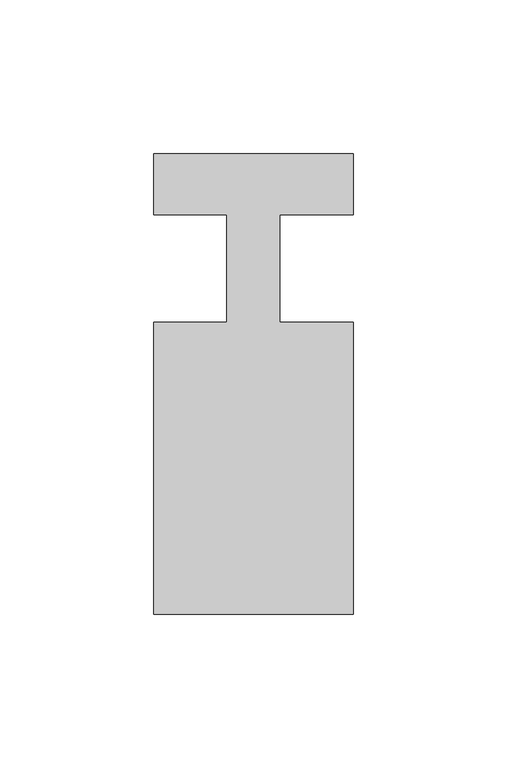
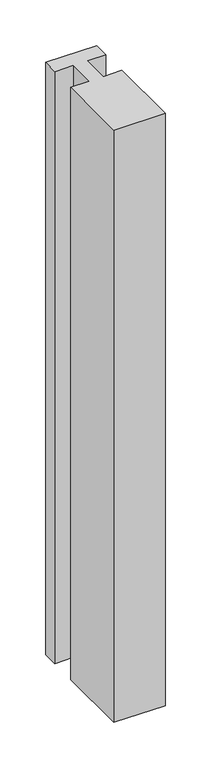
"""IFC4 building model written with IfcOpenShell, lengths in millimetres: member geometry."""

from ifc_helpers import new_model, si_unit, frame, origin, place, context, project, spatial, polyline, outline, extrude, source, transform, mapped, element, save


def member_8c662658(model_context):
    return source(origin(), model_context, "Body", "SweptSolid", [
        extrude(outline(polyline([(0.0, 37.0), (0.0, 17.0), (-23.8125, 17.0), (-23.8125, -18.0), (0.0, -18.0), (0.0, -113.0), (-65.0, -113.0), (-65.0, -18.0), (-41.1875, -18.0), (-41.1875, 17.0), (-65.0, 17.0), (-65.0, 37.0), (0.0, 37.0)])), frame((0.0, 0.0, -794.1666667), z_axis=(0.0, 0.0, 1.0), x_axis=(1.0, 0.0, 0.0)), (0.0, 0.0, 1.0), 794.1666667),
    ])


if __name__ == "__main__":
    model = new_model("IFC4")
    model_context = context("Model", 3, world=origin())
    ifc_project = project(units=[si_unit("LENGTHUNIT", "METRE", prefix="MILLI")], contexts=[model_context])
    site = spatial("IfcSite", under=ifc_project)
    building = spatial("IfcBuilding", under=site)
    placement = place(None, origin())
    member_shape = member_8c662658(model_context)
    element("IfcMember", 1, at=placement, inside=building, context=model_context, shape_type="MappedRepresentation", body=[
        mapped(member_shape, transform((0.0, 0.0, 0.0), x_axis=(1.0, 0.0, 0.0), y_axis=(0.0, 1.0, 0.0), z_axis=(0.0, 0.0, 1.0))),
    ])
    save(model, "model.ifc")
